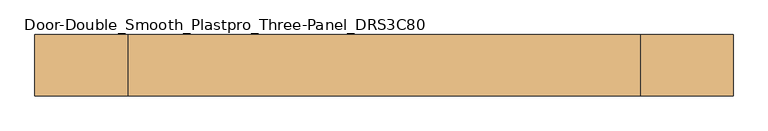
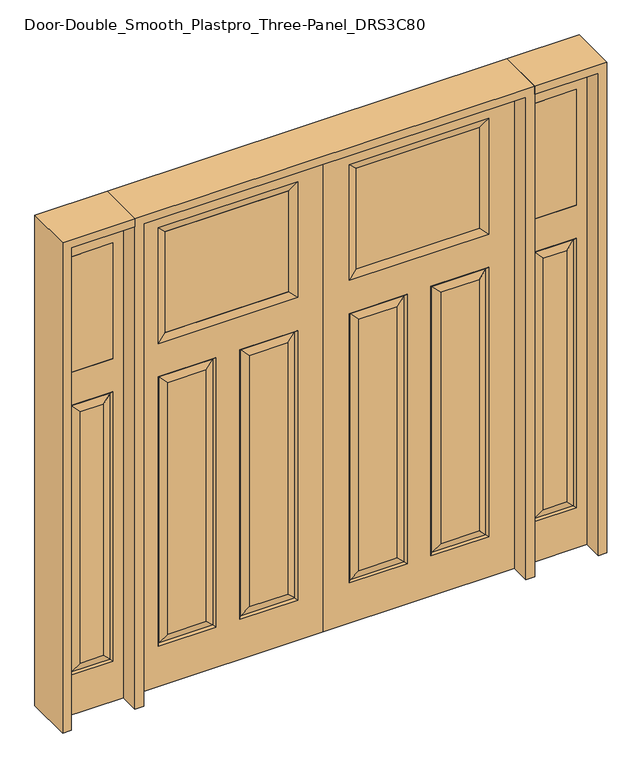
"""IFC4 building model written with IfcOpenShell, lengths in millimetres: door geometry, Door-Double_Smooth_Plastpro_Three-Panel_DRS3C80."""

from ifc_helpers import new_model, si_unit, frame, origin, place, context, project, spatial, polyline, outline, extrude, faceted_brep, source, transform, mapped, element, save


def door_double_smooth_plastpro_three_panel_drs3c80_b613cd89(model_context):
    return source(origin(), model_context, "Body", "SolidModel", [
        faceted_brep([(914.4, -20.6375, 2438.4), (914.4, -20.6375, 0.0), (914.4, 20.6375, 0.0), (914.4, 20.6375, 2438.4), (0.0, 20.6375, 0.0), (0.0, 20.6375, 2438.4), (123.698, 20.6375, 203.073), (400.2762187, 20.6375, 203.073), (400.2762187, 20.6375, 1565.3027812), (123.698, 20.6375, 1565.3027812), (790.7734375, 20.6375, 1733.3515625), (790.7734375, 20.6375, 2317.9484375), (123.6265625, 20.6375, 2317.9484375), (123.6265625, 20.6375, 1733.3515625), (790.702, 20.6375, 1565.3027812), (514.1237813, 20.6375, 1565.3027812), (514.1237813, 20.6375, 203.073), (790.702, 20.6375, 203.073), (744.6645, 20.6375, 249.1105), (560.1612813, 20.6375, 249.1105), (560.1612813, 20.6375, 1519.2652812), (744.6645, 20.6375, 1519.2652812), (169.7355, 20.6375, 1519.2652812), (354.2387187, 20.6375, 1519.2652812), (354.2387187, 20.6375, 249.1105), (169.7355, 20.6375, 249.1105), (781.7217439, 11.6572439, 1556.3225251), (781.7217439, 11.6572439, 212.0532561), (523.1040374, 11.6572439, 212.0532561), (391.2959626, -11.6572439, 212.0532561), (391.2959626, -11.6572439, 1556.3225251), (354.2387187, -20.6375, 1519.2652812), (354.2387188, -20.6375, 249.1105), (560.1612812, -20.6375, 249.1105), (560.1612812, -20.6375, 1519.2652812), (523.1040374, -11.6572439, 1556.3225251), (523.1040374, -11.6572439, 212.0532561), (781.7217439, -11.6572439, 212.0532561), (514.1237813, -20.6375, 203.073), (790.702, -20.6375, 203.073), (790.7734375, -20.6375, 1733.3515625), (790.7734375, -20.6375, 2317.9484375), (753.7161936, -11.6572439, 2280.8911936), (753.7161936, -11.6572439, 1770.3601562), (160.6838064, -11.6572439, 1770.3601562), (160.6838064, -11.6572439, 2280.9398438), (123.6265625, -20.6375, 2317.9484375), (123.6265625, -20.6375, 1733.3515625), (132.6782561, -11.6572439, 1556.3225251), (400.2762187, -20.6375, 1565.3027812), (123.698, -20.6375, 1565.3027812), (160.6838064, 11.6690335, 2280.9398438), (753.7161936, 11.6690335, 2280.9398438), (0.0, -20.6375, 0.0), (0.0, -20.6375, 2438.4), (514.1237813, -20.6375, 1565.3027812), (790.702, -20.6375, 1565.3027812), (400.2762187, -20.6375, 203.073), (123.698, -20.6375, 203.073), (169.7355, -20.6375, 249.1105), (169.7355, -20.6375, 1519.2652813), (744.6645, -20.6375, 1519.2652813), (744.6645, -20.6375, 249.1105), (132.6782561, 11.6572439, 212.0532561), (391.2959626, 11.6572439, 212.0532561), (132.6782561, -11.6572439, 212.0532561), (781.7217439, -11.6572439, 1556.3225251), (160.6838064, 11.6572439, 1770.3601562), (132.6782561, 11.6572439, 1556.3225251), (391.2959626, 11.6572439, 1556.3225251), (523.1040374, 11.6572439, 1556.3225251), (753.7161936, 11.6572439, 1770.3601562)], [[[0, 1, 2, 3]], [[3, 2, 4, 5], [6, 7, 8, 9], [10, 11, 12, 13], [14, 15, 16, 17]], [[18, 19, 20, 21]], [[22, 23, 24, 25]], [[26, 14, 17, 27]], [[27, 18, 21, 26]], [[27, 28, 19, 18]], [[29, 30, 31, 32]], [[33, 34, 35, 36]], [[37, 36, 38, 39]], [[40, 41, 42, 43]], [[44, 45, 46, 47]], [[48, 30, 49, 50]], [[51, 52, 42, 45]], [[47, 40, 43, 44]], [[4, 2, 1, 53]], [[5, 4, 53, 54]], [[54, 53, 1, 0], [39, 38, 55, 56], [47, 46, 41, 40], [50, 49, 57, 58]], [[59, 32, 31, 60]], [[61, 34, 33, 62]], [[5, 54, 0, 3]], [[63, 64, 7, 6]], [[65, 29, 32, 59]], [[57, 49, 30, 29]], [[37, 39, 56, 66]], [[13, 12, 51, 67]], [[6, 9, 68, 63]], [[64, 69, 8, 7]], [[68, 22, 25, 63]], [[25, 24, 64, 63]], [[24, 23, 69, 64]], [[17, 16, 28, 27]], [[16, 15, 70, 28]], [[28, 70, 20, 19]], [[59, 60, 48, 65]], [[48, 50, 58, 65]], [[58, 57, 29, 65]], [[66, 61, 62, 37]], [[62, 33, 36, 37]], [[36, 35, 55, 38]], [[12, 11, 52, 51]], [[71, 52, 11, 10]], [[45, 42, 41, 46]], [[60, 31, 30, 48]], [[9, 8, 69, 68]], [[68, 69, 23, 22]], [[52, 71, 43, 42]], [[71, 67, 44, 43]], [[45, 44, 67, 51]], [[67, 71, 10, 13]], [[66, 35, 34, 61]], [[56, 55, 35, 66]], [[26, 70, 15, 14]], [[21, 20, 70, 26]]]),
        extrude(outline(polyline([(160.6838064, -11.6572439), (160.6838064, 11.6572439), (753.7161936, 11.6572439), (753.7161936, -11.6572439), (160.6838064, -11.6572439)])), frame((0.0, 0.0, 1770.3601562), z_axis=(0.0, 0.0, 1.0), x_axis=(1.0, 0.0, 0.0)), (0.0, 0.0, 1.0), 510.5796875),
        faceted_brep([(955.675, 20.6375, 0.0), (1260.475, 20.6375, 0.0), (1260.475, -20.6375, 0.0), (955.675, -20.6375, 0.0), (955.675, 20.6375, 2438.4), (955.675, -20.6375, 2438.4), (1260.475, -20.6375, 2438.4), (1209.802, -20.6375, 203.073), (1006.348, -20.6375, 203.073), (1006.348, -20.6375, 1565.3027812), (1209.802, -20.6375, 1565.3027812), (1209.675, -20.6375, 2317.75), (1209.675, -20.6375, 1733.55), (1006.475, -20.6375, 1733.55), (1006.475, -20.6375, 2317.75), (1163.7645, -20.6375, 1519.2652813), (1052.3855, -20.6375, 1519.2652813), (1052.3855, -20.6375, 249.1105), (1163.7645, -20.6375, 249.1105), (1260.475, 20.6375, 2438.4), (1209.802, 20.6375, 1565.3027812), (1006.348, 20.6375, 1565.3027812), (1006.348, 20.6375, 203.073), (1209.802, 20.6375, 203.073), (1006.475, 20.6375, 2317.75), (1006.475, 20.6375, 1733.55), (1209.675, 20.6375, 1733.55), (1209.675, 20.6375, 2317.75), (1163.7645, 20.6375, 249.1105), (1052.3855, 20.6375, 249.1105), (1052.3855, 20.6375, 1519.2652812), (1163.7645, 20.6375, 1519.2652812), (1200.8217439, 11.6572439, 1556.3225251), (1200.8217439, 11.6572439, 212.0532561), (1015.3282561, 11.6572439, 212.0532561), (1015.3282561, 11.6572439, 1556.3225251), (1200.8217439, -11.6572439, 1556.3225251), (1200.8217439, -11.6572439, 212.0532561), (1015.3282561, -11.6572439, 212.0532561), (1015.3282561, -11.6572439, 1556.3225251)], [[[0, 1, 2, 3]], [[4, 0, 3, 5]], [[5, 3, 2, 6], [7, 8, 9, 10], [11, 12, 13, 14]], [[15, 16, 17, 18]], [[6, 2, 1, 19]], [[19, 1, 0, 4], [20, 21, 22, 23], [24, 25, 26, 27]], [[28, 29, 30, 31]], [[32, 20, 23, 33]], [[23, 22, 34, 33]], [[22, 21, 35, 34]], [[33, 28, 31, 32]], [[34, 35, 30, 29]], [[33, 34, 29, 28]], [[36, 15, 18, 37]], [[18, 17, 38, 37]], [[17, 16, 39, 38]], [[37, 7, 10, 36]], [[38, 39, 9, 8]], [[37, 38, 8, 7]], [[4, 5, 6, 19]], [[36, 39, 16, 15]], [[10, 9, 39, 36]], [[32, 35, 21, 20]], [[31, 30, 35, 32]], [[11, 14, 24, 27]], [[27, 26, 12, 11]], [[26, 25, 13, 12]], [[14, 13, 25, 24]]]),
        extrude(outline(polyline([(1006.475, -20.6375), (1006.475, 20.6375), (1209.675, 20.6375), (1209.675, -20.6375), (1006.475, -20.6375)])), frame((0.0, 0.0, 1733.55), z_axis=(0.0, 0.0, 1.0), x_axis=(1.0, 0.0, 0.0)), (0.0, 0.0, 1.0), 584.2),
        faceted_brep([(-955.675, 20.6375, 0.0), (-955.675, -20.6375, 0.0), (-1260.475, -20.6375, 0.0), (-1260.475, 20.6375, 0.0), (-955.675, 20.6375, 2438.4), (-955.675, -20.6375, 2438.4), (-1163.7645, -20.6375, 1519.2652812), (-1163.7645, -20.6375, 249.1105), (-1052.3855, -20.6375, 249.1105), (-1052.3855, -20.6375, 1519.2652812), (-1260.475, -20.6375, 2438.4), (-1209.802, -20.6375, 203.073), (-1209.802, -20.6375, 1565.3027812), (-1006.348, -20.6375, 1565.3027812), (-1006.348, -20.6375, 203.073), (-1209.675, -20.6375, 2317.75), (-1006.475, -20.6375, 2317.75), (-1006.475, -20.6375, 1733.55), (-1209.675, -20.6375, 1733.55), (-1260.475, 20.6375, 2438.4), (-1163.7645, 20.6375, 249.1105), (-1163.7645, 20.6375, 1519.2652812), (-1052.3855, 20.6375, 1519.2652812), (-1052.3855, 20.6375, 249.1105), (-1209.802, 20.6375, 1565.3027812), (-1209.802, 20.6375, 203.073), (-1006.348, 20.6375, 203.073), (-1006.348, 20.6375, 1565.3027812), (-1006.475, 20.6375, 2317.75), (-1209.675, 20.6375, 2317.75), (-1209.675, 20.6375, 1733.55), (-1006.475, 20.6375, 1733.55), (-1200.8217439, 11.6572439, 1556.3225251), (-1200.8217439, 11.6572439, 212.0532561), (-1015.3282561, 11.6572439, 212.0532561), (-1015.3282561, 11.6572439, 1556.3225251), (-1200.8217439, -11.6572439, 1556.3225251), (-1200.8217439, -11.6572439, 212.0532561), (-1015.3282561, -11.6572439, 212.0532561), (-1015.3282561, -11.6572439, 1556.3225251)], [[[0, 1, 2, 3]], [[4, 5, 1, 0]], [[6, 7, 8, 9]], [[5, 10, 2, 1], [11, 12, 13, 14], [15, 16, 17, 18]], [[10, 19, 3, 2]], [[20, 21, 22, 23]], [[19, 4, 0, 3], [24, 25, 26, 27], [28, 29, 30, 31]], [[32, 33, 25, 24]], [[25, 33, 34, 26]], [[26, 34, 35, 27]], [[33, 32, 21, 20]], [[34, 23, 22, 35]], [[33, 20, 23, 34]], [[36, 37, 7, 6]], [[7, 37, 38, 8]], [[8, 38, 39, 9]], [[37, 36, 12, 11]], [[38, 14, 13, 39]], [[37, 11, 14, 38]], [[4, 19, 10, 5]], [[36, 6, 9, 39]], [[12, 36, 39, 13]], [[32, 24, 27, 35]], [[21, 32, 35, 22]], [[15, 29, 28, 16]], [[29, 15, 18, 30]], [[30, 18, 17, 31]], [[16, 28, 31, 17]]]),
        extrude(outline(polyline([(-1006.475, -20.6375), (-1209.675, -20.6375), (-1209.675, 20.6375), (-1006.475, 20.6375), (-1006.475, -20.6375)])), frame((0.0, 0.0, 1733.55), z_axis=(0.0, 0.0, 1.0), x_axis=(1.0, 0.0, 0.0)), (0.0, 0.0, 1.0), 584.2),
        faceted_brep([(-914.4, -20.6375, 2438.4), (-914.4, 20.6375, 2438.4), (-914.4, 20.6375, 0.0), (-914.4, -20.6375, 0.0), (-169.7355, 20.6375, 1519.2652812), (-169.7355, 20.6375, 249.1105), (-354.2387187, 20.6375, 249.1105), (-354.2387187, 20.6375, 1519.2652812), (-744.6645, 20.6375, 249.1105), (-744.6645, 20.6375, 1519.2652812), (-560.1612813, 20.6375, 1519.2652812), (-560.1612813, 20.6375, 249.1105), (0.0, 20.6375, 2438.4), (0.0, 20.6375, 0.0), (-123.698, 20.6375, 203.073), (-123.698, 20.6375, 1565.3027812), (-400.2762187, 20.6375, 1565.3027812), (-400.2762187, 20.6375, 203.073), (-790.7734375, 20.6375, 1733.3515625), (-123.6265625, 20.6375, 1733.3515625), (-123.6265625, 20.6375, 2317.9484375), (-790.7734375, 20.6375, 2317.9484375), (-790.702, 20.6375, 1565.3027812), (-790.702, 20.6375, 203.073), (-514.1237813, 20.6375, 203.073), (-514.1237813, 20.6375, 1565.3027812), (-781.7217439, 11.6572439, 1556.3225251), (-781.7217439, 11.6572439, 212.0532561), (-523.1040374, 11.6572439, 212.0532561), (-391.2959626, -11.6572439, 212.0532561), (-354.2387187, -20.6375, 249.1105), (-354.2387188, -20.6375, 1519.2652812), (-391.2959626, -11.6572439, 1556.3225251), (-560.1612813, -20.6375, 249.1105), (-523.1040374, -11.6572439, 212.0532561), (-523.1040374, -11.6572439, 1556.3225251), (-560.1612813, -20.6375, 1519.2652812), (-781.7217439, -11.6572439, 212.0532561), (-790.702, -20.6375, 203.073), (-514.1237813, -20.6375, 203.073), (-790.7734375, -20.6375, 1733.3515625), (-753.7161936, -11.6572439, 1770.4088064), (-753.7161936, -11.6572439, 2280.9398438), (-790.7734375, -20.6375, 2317.9484375), (-160.6838064, -11.6572439, 1770.4088064), (-123.6265625, -20.6375, 1733.3515625), (-123.6265625, -20.6375, 2317.9484375), (-160.6838064, -11.6572439, 2280.8911936), (-132.6782561, -11.6572439, 1556.3225251), (-123.698, -20.6375, 1565.3027812), (-400.2762187, -20.6375, 1565.3027812), (-160.6838064, 11.6572439, 2280.9398438), (-753.7161936, 11.6690335, 2280.9398438), (0.0, -20.6375, 0.0), (0.0, -20.6375, 2438.4), (-169.7355, -20.6375, 249.1105), (-169.7355, -20.6375, 1519.2652812), (-744.6645, -20.6375, 1519.2652812), (-744.6645, -20.6375, 249.1105), (-790.702, -20.6375, 1565.3027812), (-514.1237813, -20.6375, 1565.3027812), (-123.698, -20.6375, 203.073), (-400.2762187, -20.6375, 203.073), (-132.6782561, 11.6572439, 212.0532561), (-391.2959626, 11.6572439, 212.0532561), (-132.6782561, -11.6572439, 212.0532561), (-781.7217439, -11.6572439, 1556.3225251), (-160.6838064, 11.6572439, 1770.4088064), (-132.6782561, 11.6572439, 1556.3225251), (-391.2959626, 11.6572439, 1556.3225251), (-523.1040374, 11.6572439, 1556.3225251), (-753.7161936, 11.6572439, 1770.4088064)], [[[0, 1, 2, 3]], [[4, 5, 6, 7]], [[8, 9, 10, 11]], [[1, 12, 13, 2], [14, 15, 16, 17], [18, 19, 20, 21], [22, 23, 24, 25]], [[26, 27, 23, 22]], [[27, 26, 9, 8]], [[27, 8, 11, 28]], [[29, 30, 31, 32]], [[33, 34, 35, 36]], [[37, 38, 39, 34]], [[40, 41, 42, 43]], [[44, 45, 46, 47]], [[48, 49, 50, 32]], [[51, 47, 42, 52]], [[45, 44, 41, 40]], [[13, 53, 3, 2]], [[12, 54, 53, 13]], [[55, 56, 31, 30]], [[57, 58, 33, 36]], [[54, 0, 3, 53], [38, 59, 60, 39], [45, 40, 43, 46], [49, 61, 62, 50]], [[12, 1, 0, 54]], [[63, 14, 17, 64]], [[65, 55, 30, 29]], [[62, 29, 32, 50]], [[37, 66, 59, 38]], [[19, 67, 51, 20]], [[14, 63, 68, 15]], [[64, 17, 16, 69]], [[68, 63, 5, 4]], [[5, 63, 64, 6]], [[6, 64, 69, 7]], [[23, 27, 28, 24]], [[24, 28, 70, 25]], [[28, 11, 10, 70]], [[55, 65, 48, 56]], [[48, 65, 61, 49]], [[61, 65, 29, 62]], [[66, 37, 58, 57]], [[58, 37, 34, 33]], [[34, 39, 60, 35]], [[20, 51, 52, 21]], [[71, 18, 21, 52]], [[47, 46, 43, 42]], [[56, 48, 32, 31]], [[15, 68, 69, 16]], [[68, 4, 7, 69]], [[52, 42, 41, 71]], [[71, 41, 44, 67]], [[47, 51, 67, 44]], [[67, 19, 18, 71]], [[66, 57, 36, 35]], [[59, 66, 35, 60]], [[26, 22, 25, 70]], [[9, 26, 70, 10]]]),
        extrude(outline(polyline([(-160.6838064, -11.6572439), (-753.7161936, -11.6572439), (-753.7161936, 11.6572439), (-160.6838064, 11.6572439), (-160.6838064, -11.6572439)])), frame((0.0, 0.0, 1770.3601562), z_axis=(0.0, 0.0, 1.0), x_axis=(1.0, 0.0, 0.0)), (0.0, 0.0, 1.0), 510.5796875),
        extrude(outline(polyline([(2438.4, -955.675), (2479.675, -955.675), (2479.675, -1301.75), (0.0, -1301.75), (0.0, -1260.475), (2438.4, -1260.475), (2438.4, -955.675)])), frame((0.0, -114.3, 0.0), z_axis=(0.0, 1.0, 0.0), x_axis=(0.0, 0.0, 1.0)), (0.0, 0.0, 1.0), 228.6),
        extrude(outline(polyline([(2479.675, -955.675), (0.0, -955.675), (0.0, -914.4), (2438.4, -914.4), (2438.4, 914.4), (0.0, 914.4), (0.0, 955.675), (2479.675, 955.675), (2479.675, -955.675)])), frame((0.0, -114.3, 0.0), z_axis=(0.0, 1.0, 0.0), x_axis=(0.0, 0.0, 1.0)), (0.0, 0.0, 1.0), 228.6),
        extrude(outline(polyline([(0.0, 1260.475), (0.0, 1301.75), (2479.675, 1301.75), (2479.675, 955.675), (2438.4, 955.675), (2438.4, 1260.475), (0.0, 1260.475)])), frame((0.0, -114.3, 0.0), z_axis=(0.0, 1.0, 0.0), x_axis=(0.0, 0.0, 1.0)), (0.0, 0.0, 1.0), 228.6),
    ])


if __name__ == "__main__":
    model = new_model("IFC4")
    model_context = context("Model", 3, world=origin())
    ifc_project = project(units=[si_unit("LENGTHUNIT", "METRE", prefix="MILLI")], contexts=[model_context])
    site = spatial("IfcSite", under=ifc_project)
    building = spatial("IfcBuilding", under=site)
    placement = place(None, origin())
    door_double_smooth_plastpro_three_panel_drs3c80_shape = door_double_smooth_plastpro_three_panel_drs3c80_b613cd89(model_context)
    element("IfcDoor", 1, ObjectType="Door-Double_Smooth_Plastpro_Three-Panel_DRS3C80", at=placement, inside=building, context=model_context, shape_type="MappedRepresentation", body=[
        mapped(door_double_smooth_plastpro_three_panel_drs3c80_shape, transform((0.0, 0.0, 0.0), x_axis=(1.0, 0.0, 0.0), y_axis=(0.0, 1.0, 0.0), z_axis=(0.0, 0.0, 1.0))),
    ])
    save(model, "model.ifc")
